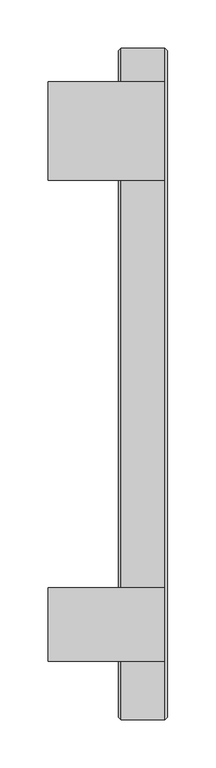
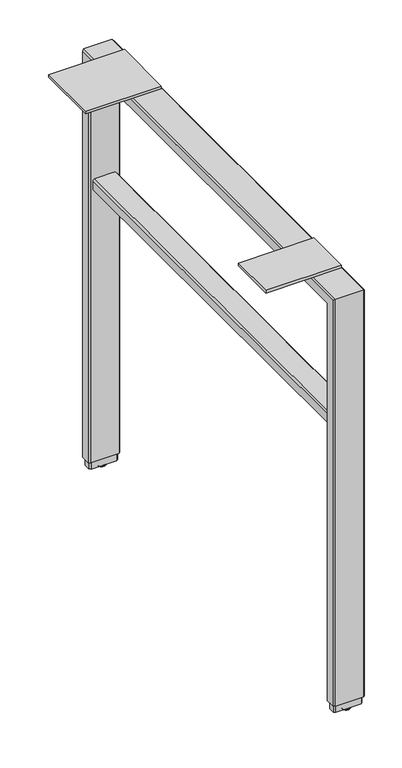
"""IFC4 building model written with IfcOpenShell, lengths in millimetres: furniture geometry."""

from ifc_helpers import new_model, si_unit, point, frame, origin, place, context, project, spatial, polyline, circle_curve, ellipse_curve, trimmed, outline, extrude, faceted_brep, source, transform, mapped, element, save
from ifc_brep_helpers import plane_surface, cylinder_surface, revolved_surface, advanced_brep


def furniture_8af0c599(model_context):
    return source(origin(), model_context, "Body", "SolidModel", [
        extrude(outline(polyline([(211.3787877, 684.5046222), (188.0107877, 684.5046222), (188.0107877, 686.7906222), (209.0927877, 686.7906222), (209.0927877, 702.6656222), (211.3787877, 702.6656222), (211.3787877, 684.5046222)])), frame((-865.186301, 0.0, 0.0), z_axis=(1.0, 0.0, 0.0), x_axis=(0.0, 1.0, 0.0)), (0.0, 0.0, 1.0), 50.8),
        advanced_brep(
        [(-783.9068954, 236.7787877, 0.0), (-794.0668993, 236.7787877, 0.0), (-788.9868974, 236.7787877, 0.0), (-788.9868974, 236.7787877, 3.8100001), (-795.6095422, 236.7787877, 3.8100001), (-782.3642525, 236.7787877, 3.8100001), (-796.0988974, 236.7787877, 3.183654), (-781.8748973, 236.7787877, 3.183654), (-796.0988974, 236.7787877, 2.032), (-781.8748973, 236.7787877, 2.032)],
        [
            (0, 1, circle_curve(frame((-788.9868974, 236.7787877, 0.0), z_axis=(0.0, 0.0, -1.0), x_axis=(-1.0, 0.0, 0.0)), 5.080002)),
            (1, 2),
            (2, 0),
            (1, 0, circle_curve(frame((-788.9868974, 236.7787877, 0.0), z_axis=(0.0, 0.0, -1.0), x_axis=(-1.0, 0.0, 0.0)), 5.080002)),
            (3, 4),
            (4, 5, circle_curve(frame((-788.9868974, 236.7787877, 3.8100001), z_axis=(0.0, 0.0, 1.0), x_axis=(-1.0, 0.0, 0.0)), 6.6226448)),
            (5, 3),
            (5, 4, circle_curve(frame((-788.9868974, 236.7787877, 3.8100001), z_axis=(0.0, 0.0, 1.0), x_axis=(-1.0, 0.0, 0.0)), 6.6226448)),
            (4, 6),
            (6, 7, circle_curve(frame((-788.9868974, 236.7787877, 3.183654), z_axis=(0.0, 0.0, 1.0), x_axis=(-1.0, 0.0, 0.0)), 7.112)),
            (7, 5),
            (7, 6, circle_curve(frame((-788.9868974, 236.7787877, 3.183654), z_axis=(0.0, 0.0, 1.0), x_axis=(-1.0, 0.0, 0.0)), 7.112)),
            (6, 8),
            (8, 9, circle_curve(frame((-788.9868974, 236.7787877, 2.032), z_axis=(0.0, 0.0, 1.0), x_axis=(-1.0, 0.0, 0.0)), 7.112)),
            (9, 7),
            (9, 8, circle_curve(frame((-788.9868974, 236.7787877, 2.032), z_axis=(0.0, 0.0, 1.0), x_axis=(-1.0, 0.0, 0.0)), 7.112)),
            (8, 1, circle_curve(frame((-792.6300579, 236.7787877, 3.4688381), z_axis=(0.0, -1.0, 0.0), x_axis=(-1.0, 0.0, 0.0)), 3.7546439)),
            (0, 9, circle_curve(frame((-785.3437368, 236.7787877, 3.4688381), z_axis=(0.0, -1.0, 0.0), x_axis=(1.0, 0.0, 0.0)), 3.7546439)),
        ],
        [
            plane_surface(frame((-788.9868974, 236.7787877, 0.0), z_axis=(0.0, 0.0, -1.0), x_axis=(-1.0, 0.0, 0.0))),
            plane_surface(frame((-788.9868974, 236.7787877, 3.8100001), z_axis=(0.0, 0.0, 1.0), x_axis=(-1.0, 0.0, 0.0))),
            revolved_surface(polyline([(-796.0988974, 236.7787877, 3.183654), (-795.6095422, 236.7787877, 3.8100001)]), (-788.9868974, 236.7787877, -2.6032322), (0.0, 0.0, 1.0)),
            cylinder_surface(frame((-788.9868974, 236.7787877, -2.6032322), z_axis=(0.0, 0.0, 1.0), x_axis=(-1.0, 0.0, 0.0)), 7.112),
            revolved_surface(trimmed(ellipse_curve(frame((-792.6300579, 236.7787877, 3.4688381), z_axis=(0.0, 1.0, 0.0), x_axis=(-1.0, 0.0, 0.0)), 3.7546439, 3.7546439), [point((-794.0668993, 236.7787877, 0.0))], [point((-796.0988974, 236.7787877, 2.032))], True, "CARTESIAN"), (-788.9868974, 236.7787877, -2.6032322), (0.0, 0.0, 1.0)),
        ],
        [
            (0, [[1, 2, 3]]),
            (0, [[4, -3, -2]]),
            (1, [[5, 6, 7]]),
            (1, [[-7, 8, -5]]),
            (2, [[-6, 9, 10, 11]]),
            (2, [[-8, -11, 12, -9]]),
            (3, [[-10, 13, 14, 15]]),
            (3, [[-12, -15, 16, -13]]),
            (4, [[-14, 17, -1, 18]]),
            (4, [[-16, -18, -4, -17]]),
        ],
    ),
        extrude(outline(polyline([(-766.761301, -312.4962123), (-766.761301, -388.6962123), (-887.411301, -388.6962123), (-887.411301, -312.4962123), (-766.761301, -312.4962123)])), frame((0.0, 0.0, 702.6656222), z_axis=(0.0, 0.0, 1.0), x_axis=(1.0, 0.0, 0.0)), (0.0, 0.0, 1.0), 4.3434),
        extrude(outline(polyline([(-766.761301, 211.3787877), (-766.761301, 109.7787877), (-887.411301, 109.7787877), (-887.411301, 211.3787877), (-766.761301, 211.3787877)])), frame((0.0, 0.0, 702.6656222), z_axis=(0.0, 0.0, 1.0), x_axis=(1.0, 0.0, 0.0)), (0.0, 0.0, 1.0), 4.3434),
        extrude(outline(polyline([(476.5039908, -808.0362993), (473.9639932, -805.4963017), (473.9639932, -772.4762986), (476.5039908, -769.936301), (490.4739956, -769.936301), (493.0139932, -772.4762986), (493.0139932, -805.4962989), (490.4739928, -808.0362993), (476.5039908, -808.0362993)])), frame((0.0, -429.9712123, 0.0), z_axis=(0.0, 1.0, 0.0), x_axis=(0.0, 0.0, 1.0)), (0.0, 0.0, 1.0), 657.225),
        advanced_brep(
        [(-783.9068954, -439.4962123, 0.0), (-794.0668993, -439.4962123, 0.0), (-788.9868974, -439.4962123, 0.0), (-788.9868974, -439.4962123, 3.8100001), (-795.6095422, -439.4962123, 3.8100001), (-782.3642525, -439.4962123, 3.8100001), (-796.0988974, -439.4962123, 3.183654), (-781.8748973, -439.4962123, 3.183654), (-796.0988974, -439.4962123, 2.032), (-781.8748973, -439.4962123, 2.032)],
        [
            (0, 1, circle_curve(frame((-788.9868974, -439.4962123, 0.0), z_axis=(0.0, 0.0, -1.0), x_axis=(-1.0, 0.0, 0.0)), 5.080002)),
            (1, 2),
            (2, 0),
            (1, 0, circle_curve(frame((-788.9868974, -439.4962123, 0.0), z_axis=(0.0, 0.0, -1.0), x_axis=(-1.0, 0.0, 0.0)), 5.080002)),
            (3, 4),
            (4, 5, circle_curve(frame((-788.9868974, -439.4962123, 3.8100001), z_axis=(0.0, 0.0, 1.0), x_axis=(-1.0, 0.0, 0.0)), 6.6226448)),
            (5, 3),
            (5, 4, circle_curve(frame((-788.9868974, -439.4962123, 3.8100001), z_axis=(0.0, 0.0, 1.0), x_axis=(-1.0, 0.0, 0.0)), 6.6226448)),
            (4, 6),
            (6, 7, circle_curve(frame((-788.9868974, -439.4962123, 3.183654), z_axis=(0.0, 0.0, 1.0), x_axis=(-1.0, 0.0, 0.0)), 7.112)),
            (7, 5),
            (7, 6, circle_curve(frame((-788.9868974, -439.4962123, 3.183654), z_axis=(0.0, 0.0, 1.0), x_axis=(-1.0, 0.0, 0.0)), 7.112)),
            (6, 8),
            (8, 9, circle_curve(frame((-788.9868974, -439.4962123, 2.032), z_axis=(0.0, 0.0, 1.0), x_axis=(-1.0, 0.0, 0.0)), 7.112)),
            (9, 7),
            (9, 8, circle_curve(frame((-788.9868974, -439.4962123, 2.032), z_axis=(0.0, 0.0, 1.0), x_axis=(-1.0, 0.0, 0.0)), 7.112)),
            (8, 1, circle_curve(frame((-792.6300579, -439.4962123, 3.4688381), z_axis=(0.0, -1.0, 0.0), x_axis=(-1.0, 0.0, 0.0)), 3.7546439)),
            (0, 9, circle_curve(frame((-785.3437368, -439.4962123, 3.4688381), z_axis=(0.0, -1.0, 0.0), x_axis=(1.0, 0.0, 0.0)), 3.7546439)),
        ],
        [
            plane_surface(frame((-788.9868974, -439.4962123, 0.0), z_axis=(0.0, 0.0, -1.0), x_axis=(-1.0, 0.0, 0.0))),
            plane_surface(frame((-788.9868974, -439.4962123, 3.8100001), z_axis=(0.0, 0.0, 1.0), x_axis=(-1.0, 0.0, 0.0))),
            revolved_surface(polyline([(-796.0988974, -439.4962123, 3.183654), (-795.6095422, -439.4962123, 3.8100001)]), (-788.9868974, -439.4962123, -2.6032322), (0.0, 0.0, 1.0)),
            cylinder_surface(frame((-788.9868974, -439.4962123, -2.6032322), z_axis=(0.0, 0.0, 1.0), x_axis=(-1.0, 0.0, 0.0)), 7.112),
            revolved_surface(trimmed(ellipse_curve(frame((-792.6300579, -439.4962123, 3.4688381), z_axis=(0.0, 1.0, 0.0), x_axis=(-1.0, 0.0, 0.0)), 3.7546439, 3.7546439), [point((-794.0668993, -439.4962123, 0.0))], [point((-796.0988974, -439.4962123, 2.032))], True, "CARTESIAN"), (-788.9868974, -439.4962123, -2.6032322), (0.0, 0.0, 1.0)),
        ],
        [
            (0, [[1, 2, 3]]),
            (0, [[4, -3, -2]]),
            (1, [[5, 6, 7]]),
            (1, [[-7, 8, -5]]),
            (2, [[-6, 9, 10, 11]]),
            (2, [[-8, -11, 12, -9]]),
            (3, [[-10, 13, 14, 15]]),
            (3, [[-12, -15, 16, -13]]),
            (4, [[-14, 17, -1, 18]]),
            (4, [[-16, -18, -4, -17]]),
        ],
    ),
        extrude(outline(polyline([(-809.4333011, -432.3842191), (-768.5398987, -432.3842191), (-765.9993022, -434.9242166), (-765.9993022, -444.0682079), (-768.5398987, -446.6082055), (-809.4333011, -446.6082055), (-811.9733009, -444.0682079), (-811.9733009, -434.9242166), (-809.4333011, -432.3842191)])), frame((0.0, 0.0, 3.8100001), z_axis=(0.0, 0.0, 1.0), x_axis=(1.0, 0.0, 0.0)), (0.0, 0.0, 1.0), 12.6999999),
        extrude(outline(polyline([(-809.4333011, 243.8907877), (-768.5398987, 243.8907877), (-765.9993022, 241.3507902), (-765.9993022, 232.2067989), (-768.5398987, 229.6668013), (-809.4333011, 229.6668013), (-811.9733009, 232.2067989), (-811.9733009, 241.3507902), (-809.4333011, 243.8907877)])), frame((0.0, 0.0, 3.8100001), z_axis=(0.0, 0.0, 1.0), x_axis=(1.0, 0.0, 0.0)), (0.0, 0.0, 1.0), 12.6999999),
        faceted_brep([(-814.3869011, -446.4812147, 16.51), (-814.3869011, -432.5112098, 16.51), (-811.8469011, -429.9712123, 16.51), (-766.1269021, -429.9712123, 16.51), (-763.5869, -432.5112144, 16.51), (-763.5869, -446.4812102, 16.51), (-766.1269021, -449.0212123, 16.51), (-811.8469011, -449.0212123, 16.51), (-814.3869011, -446.4812147, 700.1256246), (-814.3869011, 243.7637902, 700.1256246), (-814.3869011, 243.7637902, 16.51), (-814.3869011, 229.7937853, 16.51), (-814.3869011, 229.7937853, 686.1556198), (-814.3869011, -432.5112098, 686.1556198), (-811.8469011, -429.9712123, 683.6156222), (-766.1269021, -429.9712123, 683.6156222), (-763.5869, -432.5112144, 686.1556243), (-763.5869, 229.7937898, 686.1556243), (-763.5869, 229.7937898, 16.51), (-763.5869, 243.7637856, 16.51), (-763.5869, 243.7637856, 700.1256201), (-763.5869, -446.4812102, 700.1256201), (-766.1269021, -449.0212123, 702.6656222), (-811.8469011, -449.0212123, 702.6656222), (-811.8469011, 227.2537877, 683.6156222), (-766.1269021, 227.2537877, 683.6156222), (-766.1269021, 246.3037877, 702.6656222), (-811.8469011, 246.3037877, 702.6656222), (-811.8469011, 227.2537877, 16.51), (-766.1269021, 227.2537877, 16.51), (-766.1269021, 246.3037877, 16.51), (-811.8469011, 246.3037877, 16.51)], [[[0, 1, 2, 3, 4, 5, 6, 7]], [[1, 0, 8, 9, 10, 11, 12, 13]], [[2, 1, 13, 14]], [[3, 2, 14, 15]], [[5, 4, 16, 17, 18, 19, 20, 21]], [[6, 5, 21, 22]], [[7, 6, 22, 23]], [[0, 7, 23, 8]], [[14, 13, 12, 24]], [[15, 14, 24, 25]], [[22, 21, 20, 26]], [[23, 22, 26, 27]], [[8, 23, 27, 9]], [[24, 12, 11, 28]], [[25, 24, 28, 29]], [[26, 20, 19, 30]], [[27, 26, 30, 31]], [[9, 27, 31, 10]], [[10, 31, 30, 19, 18, 29, 28, 11]], [[4, 3, 15, 16]], [[16, 15, 25, 17]], [[17, 25, 29, 18]]]),
    ])


if __name__ == "__main__":
    model = new_model("IFC4")
    model_context = context("Model", 3, world=origin())
    ifc_project = project(units=[si_unit("LENGTHUNIT", "METRE", prefix="MILLI")], contexts=[model_context])
    site = spatial("IfcSite", under=ifc_project)
    building = spatial("IfcBuilding", under=site)
    placement = place(None, origin())
    furniture_shape = furniture_8af0c599(model_context)
    element("IfcFurniture", 1, at=placement, inside=building, context=model_context, shape_type="MappedRepresentation", body=[
        mapped(furniture_shape, transform((0.0, 0.0, 0.0), x_axis=(1.0, 0.0, 0.0), y_axis=(0.0, 1.0, 0.0), z_axis=(0.0, 0.0, 1.0))),
    ])
    save(model, "model.ifc")
